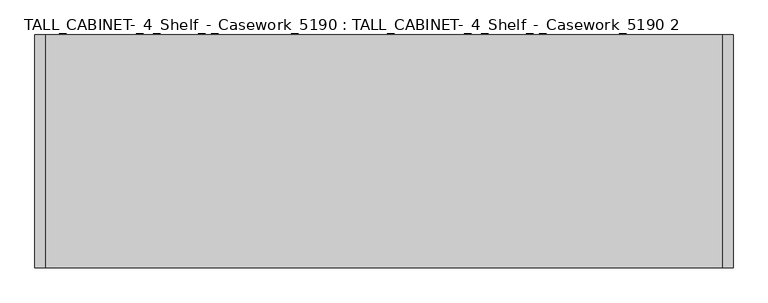
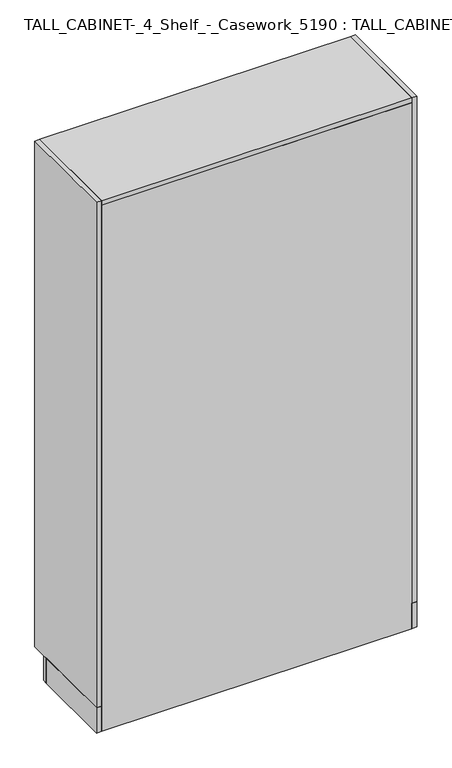
"""IFC4 building model written with IfcOpenShell, lengths in millimetres: furniture geometry, TALL_CABINET-_4_Shelf_-_Casework_5190 : TALL_CABINET-_4_Shelf_-_Casework_5190 2."""

import ifcopenshell
import ifcopenshell.guid

model = None  # the IFC model being written
_history = None  # IfcOwnerHistory: only IFC2X3 demands one
_inside = {}  # id of a spatial element -> (the spatial element, [elements in it])
_under = {}  # id of a project, library or spatial element -> (it, [spatial elements below it])
_declared = {}  # id of a project -> (the project, [libraries it declares])
_typed = {}  # id of a type object -> (the type object, [elements of that type])
_made_of = {}  # id of a material, layer set ... -> (it, [elements and type objects made of it])


def new_model(schema):
    """Start an empty IFC model of exactly this schema.

    Asked for "IFC4X3", IfcOpenShell would pick the latest addendum, in which some entities
    have other attributes; the version numbers below select the first issue.
    IFC2X3 requires an IfcOwnerHistory on every rooted entity: one is made here for all.
    """
    global model, _history
    if schema == "IFC4X3":
        model = ifcopenshell.file(schema_version=(4, 3, 0, 0))
    else:
        model = ifcopenshell.file(schema=schema)
    _inside.clear()
    _under.clear()
    _declared.clear()
    _typed.clear()
    _made_of.clear()
    _history = None
    if model.schema == "IFC2X3":
        org = make("IfcOrganization", Name="unknown")
        user = make(
            "IfcPersonAndOrganization",
            ThePerson=make("IfcPerson", FamilyName="unknown"),
            TheOrganization=org,
        )
        app = make(
            "IfcApplication",
            ApplicationDeveloper=org,
            Version="unknown",
            ApplicationFullName="unknown",
            ApplicationIdentifier="unknown",
        )
        _history = make(
            "IfcOwnerHistory",
            OwningUser=user,
            OwningApplication=app,
            ChangeAction="ADDED",
            CreationDate=0,
        )
    return model


def make(cls, **values):
    """One entity of the class cls with the attributes given. An attribute that is None is left unset."""
    return model.create_entity(
        cls, **{name: value for name, value in values.items() if value is not None}
    )


def rooted(cls, **values):
    """An entity with a GlobalId (a new one), such as an element, a storey or a relation."""
    return make(cls, GlobalId=ifcopenshell.guid.new(), OwnerHistory=_history, **values)


def si_unit(unit_type, name, prefix=None):
    """IfcSIUnit, for example si_unit("LENGTHUNIT", "METRE", prefix="MILLI")."""
    return make("IfcSIUnit", UnitType=unit_type, Prefix=prefix, Name=name)


def assignment(units):
    """IfcUnitAssignment: the units of a project."""
    return None if units is None else make("IfcUnitAssignment", Units=units)


def point(xyz):
    """IfcCartesianPoint."""
    return None if xyz is None else make("IfcCartesianPoint", Coordinates=xyz)


def direction(xyz):
    """IfcDirection."""
    return None if xyz is None else make("IfcDirection", DirectionRatios=xyz)


def frame(location, z_axis=None, x_axis=None):
    """IfcAxis2Placement3D, a coordinate frame: its origin and axes. An axis left out is left unset."""
    return make(
        "IfcAxis2Placement3D",
        Location=point(location),
        Axis=direction(z_axis),
        RefDirection=direction(x_axis),
    )


def origin():
    """The frame at (0, 0, 0) with its axes left unset."""
    return frame((0.0, 0.0, 0.0))


def origin_with_axes():
    """The frame at (0, 0, 0) with the z axis (0, 0, 1) and the x axis (1, 0, 0) written out."""
    return frame((0.0, 0.0, 0.0), z_axis=(0.0, 0.0, 1.0), x_axis=(1.0, 0.0, 0.0))


def place(relative_to, where):
    """IfcLocalPlacement: puts the frame where relative to a parent placement (None: the world)."""
    return make(
        "IfcLocalPlacement", PlacementRelTo=relative_to, RelativePlacement=where
    )


def context(
    kind, dimensions, precision=None, world=None, true_north=None, identifier=None
):
    """IfcGeometricRepresentationContext, for example the 3D "Model" context."""
    return make(
        "IfcGeometricRepresentationContext",
        ContextIdentifier=identifier,
        ContextType=kind,
        CoordinateSpaceDimension=dimensions,
        Precision=precision,
        WorldCoordinateSystem=world,
        TrueNorth=true_north,
    )


def project(units=None, contexts=None):
    """IfcProject with its units and contexts."""
    return rooted(
        "IfcProject",
        Name="project",
        RepresentationContexts=contexts,
        UnitsInContext=assignment(units),
    )


def spatial(cls, under=None, at=None, **own):
    """A site, building, storey or space (cls), placed at a placement, below another one or the project."""
    s = rooted(cls, ObjectPlacement=at, **own)
    if under is not None:
        _under.setdefault(under.id(), (under, []))[1].append(s)
    return s


def polyline(points):
    """IfcPolyline through the points."""
    return make("IfcPolyline", Points=[point(p) for p in points])


def outline(outer, holes=None, kind="AREA"):
    """IfcArbitraryClosedProfileDef: a profile drawn as a closed curve; with holes, ...WithVoids."""
    if holes is None:
        return make("IfcArbitraryClosedProfileDef", ProfileType=kind, OuterCurve=outer)
    return make(
        "IfcArbitraryProfileDefWithVoids",
        ProfileType=kind,
        OuterCurve=outer,
        InnerCurves=holes,
    )


def extrude(swept, where, along, depth):
    """IfcExtrudedAreaSolid: the profile swept, set in the frame where, extruded along a direction by depth."""
    return make(
        "IfcExtrudedAreaSolid",
        SweptArea=swept,
        Position=where,
        ExtrudedDirection=direction(along),
        Depth=depth,
    )


def shape(context_of_items, identifier, shape_type, items):
    """IfcShapeRepresentation: the items that make up one representation, for example the "Body"."""
    return make(
        "IfcShapeRepresentation",
        ContextOfItems=context_of_items,
        RepresentationIdentifier=identifier,
        RepresentationType=shape_type,
        Items=items,
    )


def source(mapping_origin, context_of_items, identifier, shape_type, items):
    """IfcRepresentationMap: a shape defined once, which mapped items show again and again."""
    return make(
        "IfcRepresentationMap",
        MappingOrigin=mapping_origin,
        MappedRepresentation=shape(context_of_items, identifier, shape_type, items),
    )


def transform(
    local_origin,
    x_axis=None,
    y_axis=None,
    z_axis=None,
    scale=None,
    scale2=None,
    scale3=None,
    uniform=True,
):
    """IfcCartesianTransformationOperator3D, or its non-uniform kind. x_axis, y_axis, z_axis: its Axis1, 2, 3."""
    if uniform:
        return make(
            "IfcCartesianTransformationOperator3D",
            Axis1=direction(x_axis),
            Axis2=direction(y_axis),
            LocalOrigin=point(local_origin),
            Scale=scale,
            Axis3=direction(z_axis),
        )
    return make(
        "IfcCartesianTransformationOperator3DnonUniform",
        Axis1=direction(x_axis),
        Axis2=direction(y_axis),
        LocalOrigin=point(local_origin),
        Scale=scale,
        Axis3=direction(z_axis),
        Scale2=scale2,
        Scale3=scale3,
    )


def mapped(mapping_source, mapping_target):
    """IfcMappedItem: shows the shape of a source again, moved by a transform."""
    return make(
        "IfcMappedItem", MappingSource=mapping_source, MappingTarget=mapping_target
    )


def made_of(thing, what):
    """Note that an element or type object is made of a material, layer set ...; save() writes the relation."""
    if what is not None:
        _made_of.setdefault(what.id(), (what, []))[1].append(thing)
    return thing


def element(
    cls,
    number,
    at=None,
    inside=None,
    cuts=None,
    type_object=None,
    material=None,
    context=None,
    identifier="Body",
    shape_type=None,
    held_by="IfcProductDefinitionShape",
    body=None,
    shapes=None,
    **own,
):
    """One element of the class cls, such as IfcWall. Its Tag is "e" and its number.

    at: its placement. inside: the storey or other place that contains it. cuts: it is an
    opening in that element (IfcRelVoidsElement). A single representation is given by context,
    identifier, shape_type and body (its items); several are given by shapes. held_by: the class
    of the entity that holds the representations. save() writes the other relations.
    """
    e = rooted(cls, Tag="e%d" % number, ObjectPlacement=at, **own)
    if body is not None:
        shapes = [shape(context, identifier, shape_type, body)]
    if shapes is not None:
        e.Representation = make(held_by, Representations=shapes)
    if inside is not None:
        _inside.setdefault(inside.id(), (inside, []))[1].append(e)
    if cuts is not None:
        rooted(
            "IfcRelVoidsElement", RelatingBuildingElement=cuts, RelatedOpeningElement=e
        )
    if type_object is not None:
        _typed.setdefault(type_object.id(), (type_object, []))[1].append(e)
    return made_of(e, material)


def aggregate(whole, parts):
    """IfcRelAggregates: a whole, such as a stair, and the parts it consists of."""
    return rooted("IfcRelAggregates", RelatingObject=whole, RelatedObjects=parts)


def save(model, path):
    """Write the relations noted so far, then the file.

    IfcRelAggregates (storeys below a building ...), IfcRelContainedInSpatialStructure (elements
    in a storey), IfcRelDefinesByType, IfcRelAssociatesMaterial and IfcRelDeclares: one each for
    every whole, place, type object, material and project.
    """
    for whole, parts in _under.values():
        aggregate(whole, parts)
    for where, things in _inside.values():
        rooted(
            "IfcRelContainedInSpatialStructure",
            RelatedElements=things,
            RelatingStructure=where,
        )
    for kind, things in _typed.values():
        rooted("IfcRelDefinesByType", RelatedObjects=things, RelatingType=kind)
    for what, things in _made_of.values():
        rooted("IfcRelAssociatesMaterial", RelatedObjects=things, RelatingMaterial=what)
    for by, libraries in _declared.values():
        rooted("IfcRelDeclares", RelatingContext=by, RelatedDefinitions=libraries)
    model.write(path)


def tall_cabinet_4_shelf_casework_5190_tall_cabinet_4_shelf_283c06e9(model_context):
    return source(origin(), model_context, "Body", "SweptSolid", [
        extrude(outline(polyline([(484.790969, 330.2), (503.840969, 330.2), (503.840969, 0.0), (484.790969, 0.0), (484.790969, 330.2)])), origin_with_axes(), (0.0, 0.0, 1.0), 101.6),
        extrude(outline(polyline([(-715.359031, 330.2), (-696.309031, 330.2), (-696.309031, 0.0), (-715.359031, 0.0), (-715.359031, 330.2)])), origin_with_axes(), (0.0, 0.0, 1.0), 101.6),
        extrude(outline(polyline([(484.790969, 19.05), (-696.309031, 19.05), (-696.309031, 406.4), (484.790969, 406.4), (484.790969, 19.05)])), frame((0.0, 0.0, 1625.6), z_axis=(0.0, 0.0, 1.0), x_axis=(1.0, 0.0, 0.0)), (0.0, 0.0, 1.0), 19.05),
        extrude(outline(polyline([(484.790969, 19.05), (-696.309031, 19.05), (-696.309031, 406.4), (484.790969, 406.4), (484.790969, 19.05)])), frame((0.0, 0.0, 1117.6), z_axis=(0.0, 0.0, 1.0), x_axis=(1.0, 0.0, 0.0)), (0.0, 0.0, 1.0), 19.05),
        extrude(outline(polyline([(484.790969, 19.05), (-696.309031, 19.05), (-696.309031, 406.4), (484.790969, 406.4), (484.790969, 19.05)])), frame((0.0, 0.0, 609.6), z_axis=(0.0, 0.0, 1.0), x_axis=(1.0, 0.0, 0.0)), (0.0, 0.0, 1.0), 19.05),
        extrude(outline(polyline([(484.790969, 19.05), (-696.309031, 19.05), (-696.309031, 406.4), (484.790969, 406.4), (484.790969, 19.05)])), frame((0.0, 0.0, 101.6), z_axis=(0.0, 0.0, 1.0), x_axis=(1.0, 0.0, 0.0)), (0.0, 0.0, 1.0), 19.05),
        extrude(outline(polyline([(484.790969, 19.05), (484.790969, 0.0), (-696.309031, 0.0), (-696.309031, 19.05), (484.790969, 19.05)])), origin_with_axes(), (0.0, 0.0, 1.0), 2114.55),
        extrude(outline(polyline([(484.790969, 0.0), (-696.309031, 0.0), (-696.309031, 406.4), (484.790969, 406.4), (484.790969, 0.0)])), frame((0.0, 0.0, 2114.55), z_axis=(0.0, 0.0, 1.0), x_axis=(1.0, 0.0, 0.0)), (0.0, 0.0, 1.0), 19.05),
        extrude(outline(polyline([(484.790969, 406.4), (503.840969, 406.4), (503.840969, 0.0), (484.790969, 0.0), (484.790969, 406.4)])), frame((0.0, 0.0, 101.6), z_axis=(0.0, 0.0, 1.0), x_axis=(1.0, 0.0, 0.0)), (0.0, 0.0, 1.0), 2032.0),
        extrude(outline(polyline([(-715.359031, 406.4), (-696.309031, 406.4), (-696.309031, 0.0), (-715.359031, 0.0), (-715.359031, 406.4)])), frame((0.0, 0.0, 101.6), z_axis=(0.0, 0.0, 1.0), x_axis=(1.0, 0.0, 0.0)), (0.0, 0.0, 1.0), 2032.0),
        extrude(outline(polyline([(-715.359031, 349.25), (503.840969, 349.25), (503.840969, 330.2), (-715.359031, 330.2), (-715.359031, 349.25)])), origin_with_axes(), (0.0, 0.0, 1.0), 101.6),
    ])


if __name__ == "__main__":
    model = new_model("IFC4")
    model_context = context("Model", 3, world=origin())
    ifc_project = project(units=[si_unit("LENGTHUNIT", "METRE", prefix="MILLI")], contexts=[model_context])
    site = spatial("IfcSite", under=ifc_project)
    building = spatial("IfcBuilding", under=site)
    placement = place(None, origin())
    tall_cabinet_4_shelf_casework_5190_tall_cabinet_4_shelf_shape = tall_cabinet_4_shelf_casework_5190_tall_cabinet_4_shelf_283c06e9(model_context)
    element("IfcFurniture", 1, ObjectType="TALL_CABINET-_4_Shelf_-_Casework_5190 : TALL_CABINET-_4_Shelf_-_Casework_5190 2", at=placement, inside=building, context=model_context, shape_type="MappedRepresentation", body=[
        mapped(tall_cabinet_4_shelf_casework_5190_tall_cabinet_4_shelf_shape, transform((0.0, 0.0, 0.0), x_axis=(1.0, 0.0, 0.0), y_axis=(0.0, 1.0, 0.0), z_axis=(0.0, 0.0, 1.0))),
    ])
    save(model, "model.ifc")
